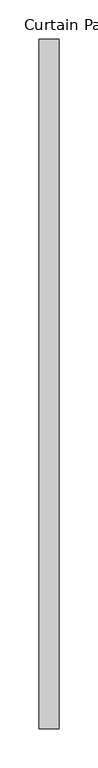
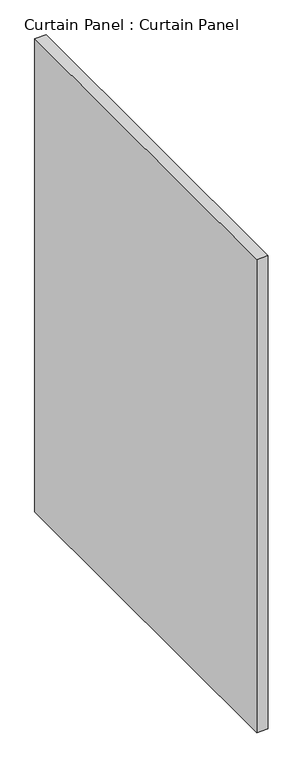
"""IFC4 building model written with IfcOpenShell, lengths in millimetres: plate geometry, Curtain Panel : Curtain Panel."""

from ifc_helpers import new_model, si_unit, frame, origin, place, context, project, spatial, polyline, outline, extrude, source, transform, mapped, element, save


def curtain_panel_curtain_panel_4860b424(model_context):
    return source(origin(), model_context, "Body", "SweptSolid", [
        extrude(outline(polyline([(-173914.1972439, 6685.9552048), (-173914.1972439, 5806.4802048), (-173939.5972439, 5806.4802048), (-173939.5972439, 6685.9552048), (-173914.1972439, 6685.9552048)])), frame((0.0, 0.0, 2455.8625), z_axis=(0.0, 0.0, 1.0), x_axis=(1.0, 0.0, 0.0)), (0.0, 0.0, 1.0), 1143.0),
    ])


if __name__ == "__main__":
    model = new_model("IFC4")
    model_context = context("Model", 3, world=origin())
    ifc_project = project(units=[si_unit("LENGTHUNIT", "METRE", prefix="MILLI")], contexts=[model_context])
    site = spatial("IfcSite", under=ifc_project)
    building = spatial("IfcBuilding", under=site)
    placement = place(None, origin())
    curtain_panel_curtain_panel_shape = curtain_panel_curtain_panel_4860b424(model_context)
    element("IfcPlate", 1, ObjectType="Curtain Panel : Curtain Panel", at=placement, inside=building, context=model_context, shape_type="MappedRepresentation", body=[
        mapped(curtain_panel_curtain_panel_shape, transform((0.0, 0.0, 0.0), x_axis=(1.0, 0.0, 0.0), y_axis=(0.0, 1.0, 0.0), z_axis=(0.0, 0.0, 1.0))),
    ])
    save(model, "model.ifc")
